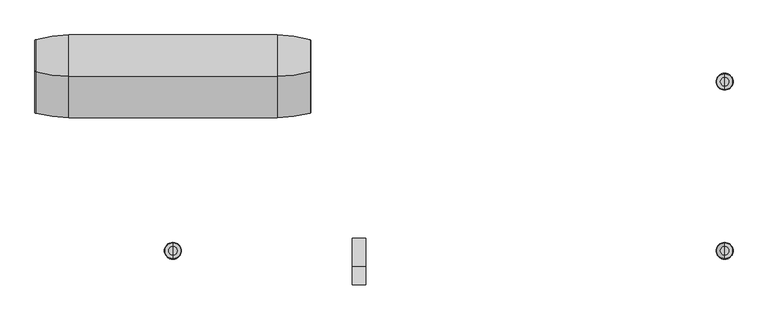
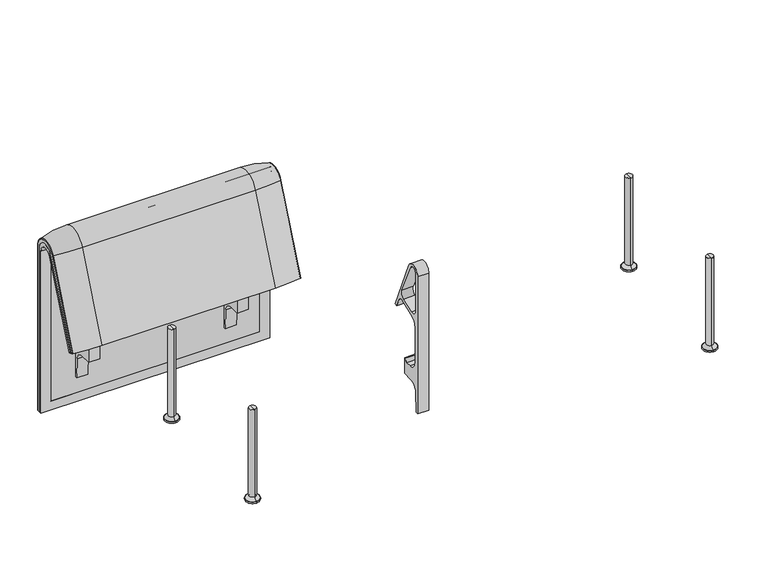
"""IFC4 building model written with IfcOpenShell, lengths in millimetres: furniture geometry."""

from ifc_helpers import new_model, si_unit, point, frame, frame_2d, origin, place, context, project, spatial, polyline, circle_curve, ellipse_curve, trimmed, segment, composite_curve, outline, extrude, source, transform, mapped, element, save
from ifc_brep_helpers import plane_surface, cylinder_surface, revolved_surface, advanced_brep


def furniture_c710fede(model_context):
    return source(origin(), model_context, "Body", "SolidModel", [
        extrude(outline(composite_curve([segment(polyline([(-305.0000061, 349.9223263), (-285.0000061, 349.9223263)]), True, "CONTINUOUS"), segment(trimmed(circle_curve(frame_2d((-285.0000061, 359.9223263)), 10.0), [point((-285.0000061, 349.9223263))], [point((-275.0000061, 359.9223263))], True, "CARTESIAN"), True, "CONTINUOUS"), segment(polyline([(-275.0000061, 359.9223263), (-270.0000061, 359.9223263), (-270.0000061, 299.9223263), (-309.4476, 299.9223263)]), True, "CONTINUOUS"), segment(trimmed(circle_curve(frame_2d((-309.4476, 269.9223263)), 30.0), [point((-309.4476, 299.9223263))], [point((-339.4064861, 271.492405))], True, "CARTESIAN"), True, "CONTINUOUS"), segment(polyline([(-339.4064861, 271.492405), (-343.3075759, 197.0551771), (-351.0000061, 197.0551771), (-351.0000061, 712.9272623)]), True, "CONTINUOUS"), segment(trimmed(circle_curve(frame_2d((-322.520748, 712.9272623)), 28.479258), [point((-351.0000061, 712.9272623))], [point((-296.3054528, 724.0549949))], False, "CARTESIAN"), True, "CONTINUOUS"), segment(polyline([(-296.3054528, 724.0549949), (-213.7507451, 529.5682915), (-222.2725218, 526.5505721), (-238.0355877, 560.3545758)]), True, "CONTINUOUS"), segment(trimmed(circle_curve(frame_2d((-251.6302045, 554.0153019)), 15.0), [point((-238.0355877, 560.3545758))], [point((-257.4911714, 567.8228747))], True, "CARTESIAN"), True, "CONTINUOUS"), segment(polyline([(-257.4911714, 567.8228747), (-316.7219399, 542.6809051)]), True, "CONTINUOUS"), segment(trimmed(circle_curve(frame_2d((-305.0000061, 515.0657595)), 30.0), [point((-316.7219399, 542.6809051))], [point((-335.0000061, 515.0657595))], True, "CARTESIAN"), True, "CONTINUOUS"), segment(polyline([(-335.0000061, 515.0657595), (-335.0000061, 379.9223263)]), True, "CONTINUOUS"), segment(trimmed(circle_curve(frame_2d((-305.0000061, 379.9223263)), 30.0), [point((-335.0000061, 379.9223263))], [point((-305.0000061, 349.9223263))], True, "CARTESIAN"), True, "CONTINUOUS")], self_intersect=False), holes=[composite_curve([segment(trimmed(circle_curve(frame_2d((-319.9867182, 576.3274105)), 17.5132879), [point((-337.5000061, 576.3274105))], [point((-314.1406626, 559.8186587))], True, "CARTESIAN"), True, "CONTINUOUS"), segment(polyline([(-314.1406626, 559.8186587), (-265.0756376, 577.1934953)]), True, "CONTINUOUS"), segment(trimmed(circle_curve(frame_2d((-271.7517748, 596.0463251)), 20.0), [point((-265.0756376, 577.1934953))], [point((-253.6256191, 604.4986904))], True, "CARTESIAN"), True, "CONTINUOUS"), segment(polyline([(-253.6256191, 604.4986904), (-308.9053893, 723.0465402)]), True, "CONTINUOUS"), segment(trimmed(circle_curve(frame_2d((-322.5000061, 716.7072663)), 15.0), [point((-308.9053893, 723.0465402))], [point((-337.5000061, 716.7072663))], True, "CARTESIAN"), True, "CONTINUOUS"), segment(polyline([(-337.5000061, 716.7072663), (-337.5000061, 576.3274105)]), True, "CONTINUOUS")], self_intersect=False)]), frame((-284.9947968, 0.0, 0.0), z_axis=(1.0, 0.0, 0.0), x_axis=(0.0, 1.0, 0.0)), (0.0, 0.0, 1.0), 40.0),
        advanced_brep(
        [(-407.9740803, 351.0000061, 101.8476716), (-407.9740803, 359.7858817, 101.8476716), (-407.9740803, 359.7858817, 720.3417731), (-407.9740803, 292.4403877, 733.7122262), (-407.9740803, 170.1966807, 437.98305), (-407.9740803, 175.0204081, 435.9866665), (-407.9740803, 296.2458652, 723.9869215), (-407.9740803, 351.0000061, 712.9272623), (-1223.9553291, 351.0000061, 101.8476716), (-1223.9553291, 351.0000061, 712.9272623), (-1223.9553291, 296.2720241, 723.9759107), (-1223.9553291, 175.0204081, 435.9866665), (-1223.9553291, 170.1966807, 437.98305), (-1223.9553291, 292.4403877, 733.7122262), (-1223.9553291, 359.7858817, 720.3417731), (-1223.9553291, 359.7858817, 101.8476716), (-442.8906244, 292.4403877, 733.7122262), (-442.8906244, 176.0980387, 452.25948), (-1189.0718733, 176.0980387, 452.25948), (-1189.0718733, 292.4403877, 733.7122262), (-1189.0718733, 296.2458652, 723.9869215), (-1189.0718733, 181.0136548, 450.2250668), (-442.8906244, 181.0136548, 450.2250668), (-442.8906244, 296.2458652, 723.9869215), (-442.8906244, 351.0000061, 712.9272623), (-442.8906244, 351.0000061, 135.3766997), (-1189.0718733, 351.0000061, 135.3766997), (-1189.0718733, 351.0000061, 712.9272623), (-1189.0718733, 359.7858817, 720.3417731), (-1189.0718733, 359.7858817, 135.3766997), (-442.8906244, 359.7858817, 135.3766997), (-442.8906244, 359.7858817, 720.3417731)],
        [
            (0, 1),
            (1, 2),
            (2, 3, circle_curve(frame((-407.9740803, 324.7858817, 720.3417731), z_axis=(1.0, 0.0, 0.0), x_axis=(0.0, -1.0, 0.0)), 35.0)),
            (3, 4),
            (4, 5),
            (5, 6),
            (6, 7, circle_curve(frame((-407.9740803, 322.520748, 712.9272623), z_axis=(-1.0, 0.0, 0.0), x_axis=(0.0, -1.0, 0.0)), 28.479258)),
            (7, 0),
            (8, 9),
            (9, 10, circle_curve(frame((-1223.9553291, 322.520748, 712.9272623), z_axis=(1.0, 0.0, 0.0), x_axis=(0.0, -1.0, 0.0)), 28.479258)),
            (10, 11),
            (11, 12),
            (12, 13),
            (13, 14, circle_curve(frame((-1223.9553291, 324.7858817, 720.3417731), z_axis=(-1.0, 0.0, 0.0), x_axis=(0.0, -1.0, 0.0)), 35.0)),
            (14, 15),
            (15, 8),
            (3, 16),
            (16, 17),
            (17, 18),
            (18, 19),
            (19, 13),
            (12, 4),
            (11, 5),
            (10, 20),
            (20, 21),
            (21, 22),
            (22, 23),
            (23, 6),
            (7, 24),
            (24, 25),
            (25, 26),
            (26, 27),
            (27, 9),
            (8, 0),
            (15, 1),
            (14, 28),
            (28, 29),
            (29, 30),
            (30, 31),
            (31, 2),
            (31, 16, circle_curve(frame((-442.8906244, 324.7858817, 720.3417731), z_axis=(1.0, 0.0, 0.0), x_axis=(0.0, -1.0, 0.0)), 35.0)),
            (19, 28, circle_curve(frame((-1189.0718733, 324.7858817, 720.3417731), z_axis=(-1.0, 0.0, 0.0), x_axis=(0.0, -1.0, 0.0)), 35.0)),
            (23, 24, circle_curve(frame((-442.8906244, 322.520748, 712.9272623), z_axis=(-1.0, 0.0, 0.0), x_axis=(0.0, -1.0, 0.0)), 28.479258)),
            (27, 20, circle_curve(frame((-1189.0718733, 322.520748, 712.9272623), z_axis=(1.0, 0.0, 0.0), x_axis=(0.0, -1.0, 0.0)), 28.479258)),
            (22, 17),
            (30, 25),
            (26, 29),
            (18, 21),
        ],
        [
            plane_surface(frame((-407.9740803, 359.7858817, 101.8476716), z_axis=(1.0, 0.0, 0.0), x_axis=(0.0, 1.0, 0.0))),
            plane_surface(frame((-1223.9553291, 359.7858817, 101.8476716), z_axis=(-1.0, 0.0, 0.0), x_axis=(0.0, -1.0, 0.0))),
            plane_surface(frame((-407.9740803, 292.4403877, 733.7122262), z_axis=(0.0, -0.9241569717933176, 0.3820129467515535), x_axis=(-1.0, 0.0, 0.0))),
            plane_surface(frame((-407.9740803, 170.1966807, 437.98305), z_axis=(0.0, -0.38241039441983893, -0.9239925812687368), x_axis=(-1.0, 0.0, 0.0))),
            plane_surface(frame((-407.9740803, 175.0204081, 435.9866665), z_axis=(0.0, 0.921678643444566, -0.3879542218073993), x_axis=(-1.0, 0.0, 0.0))),
            plane_surface(frame((-407.9740803, 351.0000061, 712.9272623), z_axis=(0.0, -1.0, 0.0), x_axis=(-1.0, 0.0, 0.0))),
            plane_surface(frame((-407.9740803, 351.0000061, 101.8476716), z_axis=(0.0, 0.0, -1.0), x_axis=(-1.0, 0.0, 0.0))),
            plane_surface(frame((-407.9740803, 359.7858817, 101.8476716), z_axis=(0.0, 1.0, 0.0), x_axis=(-1.0, 0.0, 0.0))),
            cylinder_surface(frame((-1223.9553291, 324.7858817, 720.3417731), z_axis=(1.0, 0.0, 0.0), x_axis=(0.0, -1.0, 0.0)), 35.0),
            revolved_surface(polyline([(-442.8906244, 294.04149, 712.9272623), (-407.97408029999997, 294.04149, 712.9272623)]), (-1223.9553291, 322.520748, 712.9272623), (-1.0, 0.0, 0.0)),
            revolved_surface(polyline([(-1223.9553291, 294.04149, 712.9272623), (-1189.0718733, 294.04149, 712.9272623)]), (-1223.9553291, 322.520748, 712.9272623), (-1.0, 0.0, 0.0)),
            plane_surface(frame((-442.8906244, 359.7858817, 135.3766997), z_axis=(-1.0, 0.0, 0.0), x_axis=(0.0, 1.0, 0.0))),
            plane_surface(frame((-1189.0718733, 359.7858817, 135.3766997), z_axis=(1.0, 0.0, 0.0), x_axis=(0.0, -1.0, 0.0))),
            plane_surface(frame((-442.8906244, 166.9120641, 456.0612553), z_axis=(0.0, 0.38241039441982605, 0.9239925812687422), x_axis=(-1.0, 0.0, 0.0))),
            plane_surface(frame((-442.8906244, 344.7858817, 135.3766997), z_axis=(0.0, 0.0, 1.0), x_axis=(-1.0, 0.0, 0.0))),
        ],
        [
            (0, [[1, 2, 3, 4, 5, 6, 7, 8]]),
            (1, [[9, 10, 11, 12, 13, 14, 15, 16]]),
            (2, [[-4, 17, 18, 19, 20, 21, -13, 22]]),
            (3, [[-5, -22, -12, 23]]),
            (4, [[-6, -23, -11, 24, 25, 26, 27, 28]]),
            (5, [[-8, 29, 30, 31, 32, 33, -9, 34]]),
            (6, [[-1, -34, -16, 35]]),
            (7, [[-2, -35, -15, 36, 37, 38, 39, 40]]),
            (8, [[-3, -40, 41, -17]]),
            (8, [[-14, -21, 42, -36]]),
            (9, [[-7, -28, 43, -29]]),
            (10, [[-10, -33, 44, -24]]),
            (11, [[45, -18, -41, -39, 46, -30, -43, -27]]),
            (12, [[47, -37, -42, -20, 48, -25, -44, -32]]),
            (13, [[-45, -26, -48, -19]]),
            (14, [[-46, -38, -47, -31]]),
        ],
    ),
        advanced_brep(
        [(-442.8906244, 351.0000061, 135.3766997), (-442.8906244, 359.7858817, 135.3766997), (-442.8906244, 359.7858817, 720.3417731), (-442.8906244, 292.4403877, 733.7122262), (-442.8906244, 176.0980387, 452.25948), (-442.8906244, 181.0136548, 450.2250668), (-442.8906244, 296.2458652, 723.9869215), (-442.8906244, 351.0000061, 712.9272623), (-1189.0718733, 351.0000061, 135.3766997), (-1189.0718733, 351.0000061, 712.9272623), (-1189.0718733, 296.2720241, 723.9759107), (-1189.0718733, 181.0136548, 450.2250668), (-1189.0718733, 176.0980387, 452.25948), (-1189.0718733, 292.4403877, 733.7122262), (-1189.0718733, 359.7858817, 720.3417731), (-1189.0718733, 359.7858817, 135.3766997)],
        [
            (0, 1),
            (1, 2),
            (2, 3, circle_curve(frame((-442.8906244, 324.7858817, 720.3417731), z_axis=(1.0, 0.0, 0.0), x_axis=(0.0, -1.0, 0.0)), 35.0)),
            (3, 4),
            (4, 5),
            (5, 6),
            (6, 7, circle_curve(frame((-442.8906244, 322.520748, 712.9272623), z_axis=(-1.0, 0.0, 0.0), x_axis=(0.0, -1.0, 0.0)), 28.479258)),
            (7, 0),
            (8, 9),
            (9, 10, circle_curve(frame((-1189.0718733, 322.520748, 712.9272623), z_axis=(1.0, 0.0, 0.0), x_axis=(0.0, -1.0, 0.0)), 28.479258)),
            (10, 11),
            (11, 12),
            (12, 13),
            (13, 14, circle_curve(frame((-1189.0718733, 324.7858817, 720.3417731), z_axis=(-1.0, 0.0, 0.0), x_axis=(0.0, -1.0, 0.0)), 35.0)),
            (14, 15),
            (15, 8),
            (3, 13),
            (12, 4),
            (11, 5),
            (10, 6),
            (7, 9),
            (8, 0),
            (15, 1),
            (14, 2),
        ],
        [
            plane_surface(frame((-442.8906244, 359.7858817, 135.3766997), z_axis=(1.0, 0.0, 0.0), x_axis=(0.0, 1.0, 0.0))),
            plane_surface(frame((-1189.0718733, 359.7858817, 135.3766997), z_axis=(-1.0, 0.0, 0.0), x_axis=(0.0, -1.0, 0.0))),
            plane_surface(frame((-442.8906244, 292.4403877, 733.7122262), z_axis=(0.0, -0.9241569717933176, 0.3820129467515535), x_axis=(-1.0, 0.0, 0.0))),
            plane_surface(frame((-442.8906244, 176.0980387, 452.25948), z_axis=(0.0, -0.38241039441982716, -0.9239925812687417), x_axis=(-1.0, 0.0, 0.0))),
            plane_surface(frame((-442.8906244, 181.0136548, 450.2250668), z_axis=(0.0, 0.921678643444566, -0.3879542218073993), x_axis=(-1.0, 0.0, 0.0))),
            plane_surface(frame((-442.8906244, 351.0000061, 712.9272623), z_axis=(0.0, -1.0, 0.0), x_axis=(-1.0, 0.0, 0.0))),
            plane_surface(frame((-442.8906244, 351.0000061, 135.3766997), z_axis=(0.0, 0.0, -1.0), x_axis=(-1.0, 0.0, 0.0))),
            plane_surface(frame((-442.8906244, 359.7858817, 135.3766997), z_axis=(0.0, 1.0, 0.0), x_axis=(-1.0, 0.0, 0.0))),
            cylinder_surface(frame((-1189.0718733, 324.7858817, 720.3417731), z_axis=(1.0, 0.0, 0.0), x_axis=(0.0, -1.0, 0.0)), 35.0),
            revolved_surface(polyline([(-1189.0718733, 294.04149, 712.9272623), (-442.8906244, 294.04149, 712.9272623)]), (-1189.0718733, 322.520748, 712.9272623), (-1.0, 0.0, 0.0)),
        ],
        [
            (0, [[1, 2, 3, 4, 5, 6, 7, 8]]),
            (1, [[9, 10, 11, 12, 13, 14, 15, 16]]),
            (2, [[-4, 17, -13, 18]]),
            (3, [[-5, -18, -12, 19]]),
            (4, [[-6, -19, -11, 20]]),
            (5, [[-8, 21, -9, 22]]),
            (6, [[-1, -22, -16, 23]]),
            (7, [[-2, -23, -15, 24]]),
            (8, [[-3, -24, -14, -17]]),
            (9, [[-7, -20, -10, -21]]),
        ],
    ),
        extrude(outline(composite_curve([segment(trimmed(circle_curve(frame_2d((305.0000061, 379.9223263)), 30.0), [point((305.0000061, 349.9223263))], [point((335.0000061, 379.9223263))], True, "CARTESIAN"), True, "CONTINUOUS"), segment(polyline([(335.0000061, 379.9223263), (335.0000061, 515.0657595)]), True, "CONTINUOUS"), segment(trimmed(circle_curve(frame_2d((305.0000061, 515.0657595)), 30.0), [point((335.0000061, 515.0657595))], [point((316.7219399, 542.6809051))], True, "CARTESIAN"), True, "CONTINUOUS"), segment(polyline([(316.7219399, 542.6809051), (257.4911714, 567.8228747)]), True, "CONTINUOUS"), segment(trimmed(circle_curve(frame_2d((251.6302045, 554.0153019)), 15.0), [point((257.4911714, 567.8228747))], [point((238.0355877, 560.3545758))], True, "CARTESIAN"), True, "CONTINUOUS"), segment(polyline([(238.0355877, 560.3545758), (222.2725218, 526.5505721), (213.7507451, 529.5682915), (296.3054528, 724.0549949)]), True, "CONTINUOUS"), segment(trimmed(circle_curve(frame_2d((322.520748, 712.9272623)), 28.479258), [point((296.3054528, 724.0549949))], [point((351.0000061, 712.9272623))], False, "CARTESIAN"), True, "CONTINUOUS"), segment(polyline([(351.0000061, 712.9272623), (351.0000061, 197.0551771), (343.3075759, 197.0551771), (339.4064861, 271.492405)]), True, "CONTINUOUS"), segment(trimmed(circle_curve(frame_2d((309.4476, 269.9223263)), 30.0), [point((339.4064861, 271.492405))], [point((309.4476, 299.9223263))], True, "CARTESIAN"), True, "CONTINUOUS"), segment(polyline([(309.4476, 299.9223263), (270.0000061, 299.9223263), (270.0000061, 359.9223263), (275.0000061, 359.9223263)]), True, "CONTINUOUS"), segment(trimmed(circle_curve(frame_2d((285.0000061, 359.9223263)), 10.0), [point((275.0000061, 359.9223263))], [point((285.0000061, 349.9223263))], True, "CARTESIAN"), True, "CONTINUOUS"), segment(polyline([(285.0000061, 349.9223263), (305.0000061, 349.9223263)]), True, "CONTINUOUS")], self_intersect=False), holes=[composite_curve([segment(polyline([(337.5000061, 576.3274105), (337.5000061, 716.7072663)]), True, "CONTINUOUS"), segment(trimmed(circle_curve(frame_2d((322.5000061, 716.7072663)), 15.0), [point((337.5000061, 716.7072663))], [point((308.9053893, 723.0465402))], True, "CARTESIAN"), True, "CONTINUOUS"), segment(polyline([(308.9053893, 723.0465402), (253.6256191, 604.4986904)]), True, "CONTINUOUS"), segment(trimmed(circle_curve(frame_2d((271.7517748, 596.0463251)), 20.0), [point((253.6256191, 604.4986904))], [point((265.0756376, 577.1934953))], True, "CARTESIAN"), True, "CONTINUOUS"), segment(polyline([(265.0756376, 577.1934953), (314.1406626, 559.8186587)]), True, "CONTINUOUS"), segment(trimmed(circle_curve(frame_2d((319.9867182, 576.3274105)), 17.5132879), [point((314.1406626, 559.8186587))], [point((337.5000061, 576.3274105))], True, "CARTESIAN"), True, "CONTINUOUS")], self_intersect=False)]), frame((-570.986452, 0.0, 0.0), z_axis=(1.0, 0.0, 0.0), x_axis=(0.0, 1.0, 0.0)), (0.0, 0.0, 1.0), 40.0),
        advanced_brep(
        [(-507.9740803, 388.2902376, 100.5089435), (-410.1127088, 373.93893, 100.5089435), (-407.9740803, 371.0652495, 100.5089435), (-407.9740803, 359.7858817, 100.5089435), (-1223.9884174, 359.7858817, 100.5089435), (-1223.9884174, 371.0652495, 100.5089435), (-1221.8497889, 373.93893, 100.5089435), (-1123.9884174, 388.2902376, 100.5089435), (-1123.9884174, 388.2902376, 720.3417731), (-507.9740803, 388.2902376, 720.3417731), (-410.1127088, 373.93893, 720.3417731), (-407.9740803, 371.0652495, 720.3417731), (-407.9740803, 282.0164812, 738.0210907), (-407.9740803, 159.7723383, 442.2908598), (-407.9740803, 170.1962447, 437.9819952), (-407.9740803, 292.4403877, 733.7122262), (-407.9740803, 359.7858817, 720.3417731), (-1223.9884174, 359.7858817, 720.3417731), (-507.9740803, 143.8537454, 448.8710282), (-1123.9884174, 143.8537454, 448.8710282), (-1221.8497889, 157.1166065, 443.3886429), (-1223.9884174, 159.7723383, 442.2908598), (-1223.9884174, 170.1962447, 437.9819952), (-410.1127088, 157.1166065, 443.3886429), (-507.9740803, 266.0978884, 744.6012592), (-1123.9884174, 266.0978884, 744.6012592), (-410.1127088, 279.3607494, 739.1188739), (-1223.9884174, 292.4403877, 733.7122262), (-1223.9884174, 282.0164812, 738.0210907), (-1223.9884174, 371.0652495, 720.3417731), (-1221.8497889, 373.93893, 720.3417731), (-1221.8497889, 279.3607494, 739.1188739)],
        [
            (0, 1, circle_curve(frame((-507.9740803, 47.4569043, 100.5089435), z_axis=(0.0, 0.0, -1.0), x_axis=(0.0, -1.0, 0.0)), 340.8333333)),
            (1, 2, circle_curve(frame((-410.9740803, 371.0652495, 100.5089435), z_axis=(0.0, 0.0, -1.0), x_axis=(1.0, 0.0, 0.0)), 3.0)),
            (2, 3),
            (3, 4),
            (4, 5),
            (5, 6, circle_curve(frame((-1220.9884174, 371.0652495, 100.5089435), z_axis=(0.0, 0.0, -1.0), x_axis=(-1.0, 0.0, 0.0)), 3.0)),
            (6, 7, circle_curve(frame((-1123.9884174, 47.4569043, 100.5089435), z_axis=(0.0, 0.0, -1.0), x_axis=(0.0, -1.0, 0.0)), 340.8333333)),
            (7, 0),
            (7, 8),
            (8, 9),
            (9, 0),
            (9, 10, circle_curve(frame((-507.9740803, 47.4569043, 720.3417731), z_axis=(0.0, 0.0, -1.0), x_axis=(0.0, -1.0, 0.0)), 340.8333333)),
            (10, 1),
            (10, 11, circle_curve(frame((-410.9740803, 371.0652495, 720.3417731), z_axis=(0.0, 0.0, -1.0), x_axis=(1.0, 0.0, 0.0)), 3.0)),
            (11, 2),
            (11, 12, circle_curve(frame((-407.9740803, 324.7858817, 720.3417731), z_axis=(1.0, 0.0, 0.0), x_axis=(0.0, 1.0, 0.0)), 46.2793679)),
            (12, 13),
            (13, 14),
            (14, 15),
            (15, 16, circle_curve(frame((-407.9740803, 324.7858817, 720.3417731), z_axis=(-1.0, 0.0, 0.0), x_axis=(0.0, 1.0, 0.0)), 35.0)),
            (16, 3),
            (16, 17),
            (17, 4),
            (18, 19),
            (19, 20, circle_curve(frame((-1123.9884174, 458.8372467, 318.6682822), z_axis=(0.0, -0.38201294675155345, -0.9241569717933176), x_axis=(0.0, 0.9241569717933176, -0.38201294675155345)), 340.8333333)),
            (20, 21, circle_curve(frame((-1220.9884174, 159.7723383, 442.2908598), z_axis=(0.0, -0.38201294675155345, -0.9241569717933176), x_axis=(-1.0, 0.0, 0.0)), 3.0)),
            (21, 22),
            (22, 14),
            (13, 23, circle_curve(frame((-410.9740803, 159.7723383, 442.2908598), z_axis=(0.0, -0.38201294675155345, -0.9241569717933176), x_axis=(1.0, 0.0, 0.0)), 3.0)),
            (23, 18, circle_curve(frame((-507.9740803, 458.8372467, 318.6682822), z_axis=(0.0, -0.38201294675155345, -0.9241569717933176), x_axis=(0.0, 0.9241569717933176, -0.38201294675155345)), 340.8333333)),
            (24, 9, circle_curve(frame((-507.9740803, 324.7858817, 720.3417731), z_axis=(-1.0, 0.0, 0.0), x_axis=(0.0, 1.0, 0.0)), 63.5043559)),
            (8, 25, circle_curve(frame((-1123.9884174, 324.7858817, 720.3417731), z_axis=(1.0, 0.0, 0.0), x_axis=(0.0, 1.0, 0.0)), 63.5043559)),
            (25, 24),
            (26, 10, circle_curve(frame((-410.1127088, 324.7858817, 720.3417731), z_axis=(-1.0, 0.0, 0.0), x_axis=(0.0, 1.0, 0.0)), 49.1530483)),
            (24, 26, circle_curve(frame((-507.9740803, 581.0813896, 614.3985132), z_axis=(0.0, 0.382012946751556, 0.9241569717933165), x_axis=(0.0, 0.9241569717933165, -0.382012946751556)), 340.8333333)),
            (26, 12, circle_curve(frame((-410.9740803, 282.0164812, 738.0210907), z_axis=(0.0, 0.3820129467515552, 0.9241569717933168), x_axis=(1.0, 0.0, 0.0)), 3.0)),
            (27, 17, circle_curve(frame((-1223.9884174, 324.7858817, 720.3417731), z_axis=(-1.0, 0.0, 0.0), x_axis=(0.0, 1.0, 0.0)), 35.0)),
            (15, 27),
            (25, 19),
            (18, 24),
            (23, 26),
            (22, 27),
            (21, 28),
            (28, 29, circle_curve(frame((-1223.9884174, 324.7858817, 720.3417731), z_axis=(-1.0, 0.0, 0.0), x_axis=(0.0, 1.0, 0.0)), 46.2793679)),
            (29, 5),
            (29, 30, circle_curve(frame((-1220.9884174, 371.0652495, 720.3417731), z_axis=(0.0, 0.0, -1.0), x_axis=(-1.0, 0.0, 0.0)), 3.0)),
            (30, 6),
            (30, 8, circle_curve(frame((-1123.9884174, 47.4569043, 720.3417731), z_axis=(0.0, 0.0, -1.0), x_axis=(0.0, -1.0, 0.0)), 340.8333333)),
            (31, 30, circle_curve(frame((-1221.8497889, 324.7858817, 720.3417731), z_axis=(-1.0, 0.0, 0.0), x_axis=(0.0, 1.0, 0.0)), 49.1530483)),
            (28, 31, circle_curve(frame((-1220.9884174, 282.0164812, 738.0210907), z_axis=(0.0, 0.3820129467515544, 0.9241569717933172), x_axis=(-1.0, 0.0, 0.0)), 3.0)),
            (31, 25, circle_curve(frame((-1123.9884174, 581.0813896, 614.3985132), z_axis=(0.0, 0.3820129467515532, 0.9241569717933177), x_axis=(0.0, 0.9241569717933177, -0.3820129467515532)), 340.8333333)),
            (20, 31),
        ],
        [
            plane_surface(frame((-811.2162256, 359.7858817, 100.5089435), z_axis=(0.0, 0.0, -1.0), x_axis=(1.0, 0.0, 0.0))),
            plane_surface(frame((-1123.9884174, 388.2902376, 100.5089435), z_axis=(0.0, 1.0, 0.0), x_axis=(0.0, 0.0, 1.0))),
            cylinder_surface(frame((-507.9740803, 47.4569043, 100.5089435), z_axis=(0.0, 0.0, -1.0), x_axis=(0.0, -1.0, 0.0)), 340.8333333),
            cylinder_surface(frame((-410.9740803, 371.0652495, 100.5089435), z_axis=(0.0, 0.0, -1.0), x_axis=(1.0, 0.0, 0.0)), 3.0),
            plane_surface(frame((-407.9740803, 371.0652495, 100.5089435), z_axis=(1.0, 0.0, 0.0), x_axis=(0.0, 0.0, 1.0))),
            plane_surface(frame((-407.9740803, 359.7858817, 100.5089435), z_axis=(0.0, -1.0, 0.0), x_axis=(0.0, 0.0, 1.0))),
            plane_surface(frame((-811.2162256, 170.1962447, 437.9819952), z_axis=(0.0, -0.38201294675155345, -0.9241569717933176), x_axis=(1.0, 0.0, 0.0))),
            cylinder_surface(frame((-811.2162256, 324.7858817, 720.3417731), z_axis=(1.0, 0.0, 0.0), x_axis=(0.0, 1.0, 0.0)), 63.5043559),
            revolved_surface(trimmed(ellipse_curve(frame((-507.9740803, 47.4569043, 720.3417731), z_axis=(0.0, 0.0, -1.0), x_axis=(0.0, -1.0, 0.0)), 340.8333333, 340.8333333), [point((-507.9740803, 388.2902376, 720.3417731))], [point((-410.1127088, 373.93893, 720.3417731))], True, "CARTESIAN"), (-811.2162256, 324.7858817, 720.3417731), (1.0, 0.0, 0.0)),
            revolved_surface(trimmed(ellipse_curve(frame((-410.9740803, 371.0652495, 720.3417731), z_axis=(0.0, 0.0, -1.0), x_axis=(1.0, 0.0, 0.0)), 3.0, 3.0), [point((-410.1127088, 373.93893, 720.3417731))], [point((-407.9740803, 371.0652495, 720.3417731))], True, "CARTESIAN"), (-811.2162256, 324.7858817, 720.3417731), (1.0, 0.0, 0.0)),
            revolved_surface(polyline([(-407.9740803, 359.7858817, 720.3417731), (-1223.9884174, 359.7858817, 720.3417731)]), (-811.2162256, 324.7858817, 720.3417731), (1.0, 0.0, 0.0)),
            plane_surface(frame((-1123.9884174, 266.0978884, 744.6012592), z_axis=(0.0, -0.9241569717933176, 0.38201294675155356), x_axis=(0.0, -0.38201294675155356, -0.9241569717933176))),
            cylinder_surface(frame((-507.9740803, 581.0813896, 614.3985132), z_axis=(0.0, 0.38201294675155345, 0.9241569717933176), x_axis=(0.0, 0.9241569717933176, -0.38201294675155345)), 340.8333333),
            cylinder_surface(frame((-410.9740803, 282.0164812, 738.0210907), z_axis=(0.0, 0.38201294675155345, 0.9241569717933176), x_axis=(1.0, 0.0, 0.0)), 3.0),
            plane_surface(frame((-407.9740803, 292.4403877, 733.7122262), z_axis=(0.0, 0.9241569717933176, -0.38201294675155356), x_axis=(0.0, -0.38201294675155356, -0.9241569717933176))),
            plane_surface(frame((-1223.9884174, 359.7858817, 100.5089435), z_axis=(-1.0, 0.0, 0.0), x_axis=(0.0, 0.0, 1.0))),
            cylinder_surface(frame((-1220.9884174, 371.0652495, 100.5089435), z_axis=(0.0, 0.0, -1.0), x_axis=(-1.0, 0.0, 0.0)), 3.0),
            cylinder_surface(frame((-1123.9884174, 47.4569043, 100.5089435), z_axis=(0.0, 0.0, -1.0), x_axis=(0.0, -1.0, 0.0)), 340.8333333),
            revolved_surface(trimmed(ellipse_curve(frame((-1220.9884174, 371.0652495, 720.3417731), z_axis=(0.0, 0.0, -1.0), x_axis=(-1.0, 0.0, 0.0)), 3.0, 3.0), [point((-1223.9884174, 371.0652495, 720.3417731))], [point((-1221.8497889, 373.93893, 720.3417731))], True, "CARTESIAN"), (-811.2162256, 324.7858817, 720.3417731), (1.0, 0.0, 0.0)),
            revolved_surface(trimmed(ellipse_curve(frame((-1123.9884174, 47.4569043, 720.3417731), z_axis=(0.0, 0.0, -1.0), x_axis=(0.0, -1.0, 0.0)), 340.8333333, 340.8333333), [point((-1221.8497889, 373.93893, 720.3417731))], [point((-1123.9884174, 388.2902376, 720.3417731))], True, "CARTESIAN"), (-811.2162256, 324.7858817, 720.3417731), (1.0, 0.0, 0.0)),
            cylinder_surface(frame((-1220.9884174, 282.0164812, 738.0210907), z_axis=(0.0, 0.38201294675155345, 0.9241569717933176), x_axis=(-1.0, 0.0, 0.0)), 3.0),
            cylinder_surface(frame((-1123.9884174, 581.0813896, 614.3985132), z_axis=(0.0, 0.38201294675155345, 0.9241569717933176), x_axis=(0.0, 0.9241569717933176, -0.38201294675155345)), 340.8333333),
        ],
        [
            (0, [[1, 2, 3, 4, 5, 6, 7, 8]]),
            (1, [[-8, 9, 10, 11]]),
            (2, [[-1, -11, 12, 13]]),
            (3, [[-2, -13, 14, 15]]),
            (4, [[-3, -15, 16, 17, 18, 19, 20, 21]]),
            (5, [[-4, -21, 22, 23]]),
            (6, [[24, 25, 26, 27, 28, -18, 29, 30]]),
            (7, [[31, -10, 32, 33]]),
            (8, [[34, -12, -31, 35]]),
            (9, [[-16, -14, -34, 36]]),
            (10, [[37, -22, -20, 38]]),
            (11, [[-33, 39, -24, 40]]),
            (12, [[-35, -40, -30, 41]]),
            (13, [[-36, -41, -29, -17]]),
            (14, [[-38, -19, -28, 42]]),
            (15, [[-5, -23, -37, -42, -27, 43, 44, 45]]),
            (16, [[-6, -45, 46, 47]]),
            (17, [[-7, -47, 48, -9]]),
            (18, [[49, -46, -44, 50]]),
            (19, [[-32, -48, -49, 51]]),
            (20, [[-50, -43, -26, 52]]),
            (21, [[-51, -52, -25, -39]]),
        ],
    ),
        extrude(outline(composite_curve([segment(trimmed(circle_curve(frame_2d((305.0000061, 379.9223263)), 30.0), [point((305.0000061, 349.9223263))], [point((335.0000061, 379.9223263))], True, "CARTESIAN"), True, "CONTINUOUS"), segment(polyline([(335.0000061, 379.9223263), (335.0000061, 515.0657595)]), True, "CONTINUOUS"), segment(trimmed(circle_curve(frame_2d((305.0000061, 515.0657595)), 30.0), [point((335.0000061, 515.0657595))], [point((316.7219399, 542.6809051))], True, "CARTESIAN"), True, "CONTINUOUS"), segment(polyline([(316.7219399, 542.6809051), (257.4911714, 567.8228747)]), True, "CONTINUOUS"), segment(trimmed(circle_curve(frame_2d((251.6302045, 554.0153019)), 15.0), [point((257.4911714, 567.8228747))], [point((238.0355877, 560.3545758))], True, "CARTESIAN"), True, "CONTINUOUS"), segment(polyline([(238.0355877, 560.3545758), (222.2725218, 526.5505721), (213.7507451, 529.5682915), (296.3054528, 724.0549949)]), True, "CONTINUOUS"), segment(trimmed(circle_curve(frame_2d((322.520748, 712.9272623)), 28.479258), [point((296.3054528, 724.0549949))], [point((351.0000061, 712.9272623))], False, "CARTESIAN"), True, "CONTINUOUS"), segment(polyline([(351.0000061, 712.9272623), (351.0000061, 197.0551771), (343.3075759, 197.0551771), (339.4064861, 271.492405)]), True, "CONTINUOUS"), segment(trimmed(circle_curve(frame_2d((309.4476, 269.9223263)), 30.0), [point((339.4064861, 271.492405))], [point((309.4476, 299.9223263))], True, "CARTESIAN"), True, "CONTINUOUS"), segment(polyline([(309.4476, 299.9223263), (270.0000061, 299.9223263), (270.0000061, 359.9223263), (275.0000061, 359.9223263)]), True, "CONTINUOUS"), segment(trimmed(circle_curve(frame_2d((285.0000061, 359.9223263)), 10.0), [point((275.0000061, 359.9223263))], [point((285.0000061, 349.9223263))], True, "CARTESIAN"), True, "CONTINUOUS"), segment(polyline([(285.0000061, 349.9223263), (305.0000061, 349.9223263)]), True, "CONTINUOUS")], self_intersect=False), holes=[composite_curve([segment(polyline([(337.5000061, 576.3274105), (337.5000061, 716.7072663)]), True, "CONTINUOUS"), segment(trimmed(circle_curve(frame_2d((322.5000061, 716.7072663)), 15.0), [point((337.5000061, 716.7072663))], [point((308.9053893, 723.0465402))], True, "CARTESIAN"), True, "CONTINUOUS"), segment(polyline([(308.9053893, 723.0465402), (253.6256191, 604.4986904)]), True, "CONTINUOUS"), segment(trimmed(circle_curve(frame_2d((271.7517748, 596.0463251)), 20.0), [point((253.6256191, 604.4986904))], [point((265.0756376, 577.1934953))], True, "CARTESIAN"), True, "CONTINUOUS"), segment(polyline([(265.0756376, 577.1934953), (314.1406626, 559.8186587)]), True, "CONTINUOUS"), segment(trimmed(circle_curve(frame_2d((319.9867182, 576.3274105)), 17.5132879), [point((314.1406626, 559.8186587))], [point((337.5000061, 576.3274105))], True, "CARTESIAN"), True, "CONTINUOUS")], self_intersect=False)]), frame((-1100.9760457, 0.0, 0.0), z_axis=(1.0, 0.0, 0.0), x_axis=(0.0, 1.0, 0.0)), (0.0, 0.0, 1.0), 40.0),
        advanced_brep(
        [(815.9812488, -250.0000031, 0.0), (815.9812488, -225.0000031, 0.0), (815.9812488, -275.0000031, 0.0), (815.9812488, -262.4715672, 344.8637637), (815.9812488, -237.5284391, 344.8637637), (815.9812488, -250.0000031, 344.8637637), (815.9812488, -262.4715672, 16.2604994), (815.9812488, -237.5284391, 16.2604994), (815.9812488, -273.2294713, 5.5025953), (815.9812488, -226.770535, 5.5025953), (815.9812488, -275.0000031, 5.5025953), (815.9812488, -225.0000031, 5.5025953)],
        [
            (0, 1),
            (1, 2, circle_curve(frame((815.9812488, -250.0000031, 0.0), z_axis=(0.0, 0.0, -1.0), x_axis=(0.0, 1.0, 0.0)), 25.0)),
            (2, 0),
            (2, 1, circle_curve(frame((815.9812488, -250.0000031, 0.0), z_axis=(0.0, 0.0, -1.0), x_axis=(0.0, 1.0, 0.0)), 25.0)),
            (3, 4, circle_curve(frame((815.9812488, -250.0000031, 344.8637637), z_axis=(0.0, 0.0, 1.0), x_axis=(0.0, 1.0, 0.0)), 12.471564)),
            (4, 5),
            (5, 3),
            (4, 3, circle_curve(frame((815.9812488, -250.0000031, 344.8637637), z_axis=(0.0, 0.0, 1.0), x_axis=(0.0, 1.0, 0.0)), 12.471564)),
            (6, 7, circle_curve(frame((815.9812488, -250.0000031, 16.2604994), z_axis=(0.0, 0.0, 1.0), x_axis=(0.0, 1.0, 0.0)), 12.471564)),
            (7, 4),
            (3, 6),
            (7, 6, circle_curve(frame((815.9812488, -250.0000031, 16.2604994), z_axis=(0.0, 0.0, 1.0), x_axis=(0.0, 1.0, 0.0)), 12.471564)),
            (8, 9, circle_curve(frame((815.9812488, -250.0000031, 5.5025953), z_axis=(0.0, 0.0, 1.0), x_axis=(0.0, 1.0, 0.0)), 23.2294681)),
            (9, 7, circle_curve(frame((815.9812488, -226.770535, 16.2604994), z_axis=(-1.0, 0.0, 0.0), x_axis=(0.0, 1.0, 0.0)), 10.7579041)),
            (6, 8, circle_curve(frame((815.9812488, -273.2294713, 16.2604994), z_axis=(-1.0, 0.0, 0.0), x_axis=(0.0, -1.0, 0.0)), 10.7579041)),
            (9, 8, circle_curve(frame((815.9812488, -250.0000031, 5.5025953), z_axis=(0.0, 0.0, 1.0), x_axis=(0.0, 1.0, 0.0)), 23.2294681)),
            (10, 11, circle_curve(frame((815.9812488, -250.0000031, 5.5025953), z_axis=(0.0, 0.0, 1.0), x_axis=(0.0, 1.0, 0.0)), 25.0)),
            (11, 9),
            (8, 10),
            (11, 10, circle_curve(frame((815.9812488, -250.0000031, 5.5025953), z_axis=(0.0, 0.0, 1.0), x_axis=(0.0, 1.0, 0.0)), 25.0)),
            (1, 11),
            (10, 2),
        ],
        [
            plane_surface(frame((815.9812488, -250.0000031, 0.0), z_axis=(0.0, 0.0, -1.0), x_axis=(0.0, 1.0, 0.0))),
            plane_surface(frame((815.9812488, -250.0000031, 344.8637637), z_axis=(0.0, 0.0, 1.0), x_axis=(0.0, 1.0, 0.0))),
            cylinder_surface(frame((815.9812488, -250.0000031, 344.8637637), z_axis=(0.0, 0.0, -1.0), x_axis=(0.0, 1.0, 0.0)), 12.471564),
            revolved_surface(trimmed(ellipse_curve(frame((815.9812488, -226.770535, 16.2604994), z_axis=(1.0, 0.0, 0.0), x_axis=(0.0, 1.0, 0.0)), 10.7579041, 10.7579041), [point((815.9812488, -237.5284391, 16.2604994))], [point((815.9812488, -226.770535, 5.5025953))], True, "CARTESIAN"), (815.9812488, -250.0000031, 344.8637637), (0.0, 0.0, -1.0)),
            plane_surface(frame((815.9812488, -250.0000031, 5.5025953), z_axis=(0.0, 0.0, 1.0), x_axis=(0.0, 1.0, 0.0))),
            cylinder_surface(frame((815.9812488, -250.0000031, 344.8637637), z_axis=(0.0, 0.0, -1.0), x_axis=(0.0, 1.0, 0.0)), 25.0),
        ],
        [
            (0, [[1, 2, 3]]),
            (0, [[-3, 4, -1]]),
            (1, [[5, 6, 7]]),
            (1, [[8, -7, -6]]),
            (2, [[9, 10, -5, 11]]),
            (2, [[12, -11, -8, -10]]),
            (3, [[13, 14, -9, 15]]),
            (3, [[16, -15, -12, -14]]),
            (4, [[17, 18, -13, 19]]),
            (4, [[20, -19, -16, -18]]),
            (5, [[-2, 21, -17, 22]]),
            (5, [[-4, -22, -20, -21]]),
        ],
    ),
        advanced_brep(
        [(815.9812488, 275.0000031, 0.0), (815.9812488, 225.0000031, 0.0), (815.9812488, 250.0000031, 0.0), (815.9812488, 250.0000031, 344.8637637), (815.9812488, 237.5284391, 344.8637637), (815.9812488, 262.4715672, 344.8637637), (815.9812488, 237.5284391, 16.2604994), (815.9812488, 262.4715672, 16.2604994), (815.9812488, 226.770535, 5.5025953), (815.9812488, 273.2294713, 5.5025953), (815.9812488, 225.0000031, 5.5025953), (815.9812488, 275.0000031, 5.5025953)],
        [
            (0, 1, circle_curve(frame((815.9812488, 250.0000031, 0.0), z_axis=(0.0, 0.0, -1.0), x_axis=(0.0, -1.0, 0.0)), 25.0)),
            (1, 2),
            (2, 0),
            (1, 0, circle_curve(frame((815.9812488, 250.0000031, 0.0), z_axis=(0.0, 0.0, -1.0), x_axis=(0.0, -1.0, 0.0)), 25.0)),
            (3, 4),
            (4, 5, circle_curve(frame((815.9812488, 250.0000031, 344.8637637), z_axis=(0.0, 0.0, 1.0), x_axis=(0.0, -1.0, 0.0)), 12.471564)),
            (5, 3),
            (5, 4, circle_curve(frame((815.9812488, 250.0000031, 344.8637637), z_axis=(0.0, 0.0, 1.0), x_axis=(0.0, -1.0, 0.0)), 12.471564)),
            (4, 6),
            (6, 7, circle_curve(frame((815.9812488, 250.0000031, 16.2604994), z_axis=(0.0, 0.0, 1.0), x_axis=(0.0, -1.0, 0.0)), 12.471564)),
            (7, 5),
            (7, 6, circle_curve(frame((815.9812488, 250.0000031, 16.2604994), z_axis=(0.0, 0.0, 1.0), x_axis=(0.0, -1.0, 0.0)), 12.471564)),
            (6, 8, circle_curve(frame((815.9812488, 226.770535, 16.2604994), z_axis=(-1.0, 0.0, 0.0), x_axis=(0.0, -1.0, 0.0)), 10.7579041)),
            (8, 9, circle_curve(frame((815.9812488, 250.0000031, 5.5025953), z_axis=(0.0, 0.0, 1.0), x_axis=(0.0, -1.0, 0.0)), 23.2294681)),
            (9, 7, circle_curve(frame((815.9812488, 273.2294713, 16.2604994), z_axis=(-1.0, 0.0, 0.0), x_axis=(0.0, 1.0, 0.0)), 10.7579041)),
            (9, 8, circle_curve(frame((815.9812488, 250.0000031, 5.5025953), z_axis=(0.0, 0.0, 1.0), x_axis=(0.0, -1.0, 0.0)), 23.2294681)),
            (8, 10),
            (10, 11, circle_curve(frame((815.9812488, 250.0000031, 5.5025953), z_axis=(0.0, 0.0, 1.0), x_axis=(0.0, -1.0, 0.0)), 25.0)),
            (11, 9),
            (11, 10, circle_curve(frame((815.9812488, 250.0000031, 5.5025953), z_axis=(0.0, 0.0, 1.0), x_axis=(0.0, -1.0, 0.0)), 25.0)),
            (10, 1),
            (0, 11),
        ],
        [
            plane_surface(frame((815.9812488, 250.0000031, 0.0), z_axis=(0.0, 0.0, -1.0), x_axis=(0.0, -1.0, 0.0))),
            plane_surface(frame((815.9812488, 250.0000031, 344.8637637), z_axis=(0.0, 0.0, 1.0), x_axis=(0.0, -1.0, 0.0))),
            cylinder_surface(frame((815.9812488, 250.0000031, 344.8637637), z_axis=(0.0, 0.0, 1.0), x_axis=(0.0, -1.0, 0.0)), 12.471564),
            revolved_surface(trimmed(ellipse_curve(frame((815.9812488, 226.770535, 16.2604994), z_axis=(1.0, 0.0, 0.0), x_axis=(0.0, -1.0, 0.0)), 10.7579041, 10.7579041), [point((815.9812488, 226.770535, 5.5025953))], [point((815.9812488, 237.5284391, 16.2604994))], True, "CARTESIAN"), (815.9812488, 250.0000031, 344.8637637), (0.0, 0.0, 1.0)),
            plane_surface(frame((815.9812488, 250.0000031, 5.5025953), z_axis=(0.0, 0.0, 1.0), x_axis=(0.0, -1.0, 0.0))),
            cylinder_surface(frame((815.9812488, 250.0000031, 344.8637637), z_axis=(0.0, 0.0, 1.0), x_axis=(0.0, -1.0, 0.0)), 25.0),
        ],
        [
            (0, [[1, 2, 3]]),
            (0, [[4, -3, -2]]),
            (1, [[5, 6, 7]]),
            (1, [[-7, 8, -5]]),
            (2, [[-6, 9, 10, 11]]),
            (2, [[-8, -11, 12, -9]]),
            (3, [[-10, 13, 14, 15]]),
            (3, [[-12, -15, 16, -13]]),
            (4, [[-14, 17, 18, 19]]),
            (4, [[-16, -19, 20, -17]]),
            (5, [[-18, 21, -1, 22]]),
            (5, [[-20, -22, -4, -21]]),
        ],
    ),
        advanced_brep(
        [(-815.9812488, -275.0000031, 0.0), (-815.9812488, -225.0000031, 0.0), (-815.9812488, -250.0000031, 0.0), (-815.9812488, -250.0000031, 344.8637637), (-815.9812488, -237.5284391, 344.8637637), (-815.9812488, -262.4715672, 344.8637637), (-815.9812488, -237.5284391, 16.2604994), (-815.9812488, -262.4715672, 16.2604994), (-815.9812488, -226.770535, 5.5025953), (-815.9812488, -273.2294713, 5.5025953), (-815.9812488, -225.0000031, 5.5025953), (-815.9812488, -275.0000031, 5.5025953)],
        [
            (0, 1, circle_curve(frame((-815.9812488, -250.0000031, 0.0), z_axis=(0.0, 0.0, -1.0), x_axis=(0.0, 1.0, 0.0)), 25.0)),
            (1, 2),
            (2, 0),
            (1, 0, circle_curve(frame((-815.9812488, -250.0000031, 0.0), z_axis=(0.0, 0.0, -1.0), x_axis=(0.0, 1.0, 0.0)), 25.0)),
            (3, 4),
            (4, 5, circle_curve(frame((-815.9812488, -250.0000031, 344.8637637), z_axis=(0.0, 0.0, 1.0), x_axis=(0.0, 1.0, 0.0)), 12.471564)),
            (5, 3),
            (5, 4, circle_curve(frame((-815.9812488, -250.0000031, 344.8637637), z_axis=(0.0, 0.0, 1.0), x_axis=(0.0, 1.0, 0.0)), 12.471564)),
            (4, 6),
            (6, 7, circle_curve(frame((-815.9812488, -250.0000031, 16.2604994), z_axis=(0.0, 0.0, 1.0), x_axis=(0.0, 1.0, 0.0)), 12.471564)),
            (7, 5),
            (7, 6, circle_curve(frame((-815.9812488, -250.0000031, 16.2604994), z_axis=(0.0, 0.0, 1.0), x_axis=(0.0, 1.0, 0.0)), 12.471564)),
            (6, 8, circle_curve(frame((-815.9812488, -226.770535, 16.2604994), z_axis=(1.0, 0.0, 0.0), x_axis=(0.0, 1.0, 0.0)), 10.7579041)),
            (8, 9, circle_curve(frame((-815.9812488, -250.0000031, 5.5025953), z_axis=(0.0, 0.0, 1.0), x_axis=(0.0, 1.0, 0.0)), 23.2294681)),
            (9, 7, circle_curve(frame((-815.9812488, -273.2294713, 16.2604994), z_axis=(1.0, 0.0, 0.0), x_axis=(0.0, -1.0, 0.0)), 10.7579041)),
            (9, 8, circle_curve(frame((-815.9812488, -250.0000031, 5.5025953), z_axis=(0.0, 0.0, 1.0), x_axis=(0.0, 1.0, 0.0)), 23.2294681)),
            (8, 10),
            (10, 11, circle_curve(frame((-815.9812488, -250.0000031, 5.5025953), z_axis=(0.0, 0.0, 1.0), x_axis=(0.0, 1.0, 0.0)), 25.0)),
            (11, 9),
            (11, 10, circle_curve(frame((-815.9812488, -250.0000031, 5.5025953), z_axis=(0.0, 0.0, 1.0), x_axis=(0.0, 1.0, 0.0)), 25.0)),
            (10, 1),
            (0, 11),
        ],
        [
            plane_surface(frame((-815.9812488, -250.0000031, 0.0), z_axis=(0.0, 0.0, -1.0), x_axis=(0.0, 1.0, 0.0))),
            plane_surface(frame((-815.9812488, -250.0000031, 344.8637637), z_axis=(0.0, 0.0, 1.0), x_axis=(0.0, 1.0, 0.0))),
            cylinder_surface(frame((-815.9812488, -250.0000031, 344.8637637), z_axis=(0.0, 0.0, 1.0), x_axis=(0.0, 1.0, 0.0)), 12.471564),
            revolved_surface(trimmed(ellipse_curve(frame((-815.9812488, -226.770535, 16.2604994), z_axis=(-1.0, 0.0, 0.0), x_axis=(0.0, 1.0, 0.0)), 10.7579041, 10.7579041), [point((-815.9812488, -226.770535, 5.5025953))], [point((-815.9812488, -237.5284391, 16.2604994))], True, "CARTESIAN"), (-815.9812488, -250.0000031, 344.8637637), (0.0, 0.0, 1.0)),
            plane_surface(frame((-815.9812488, -250.0000031, 5.5025953), z_axis=(0.0, 0.0, 1.0), x_axis=(0.0, 1.0, 0.0))),
            cylinder_surface(frame((-815.9812488, -250.0000031, 344.8637637), z_axis=(0.0, 0.0, 1.0), x_axis=(0.0, 1.0, 0.0)), 25.0),
        ],
        [
            (0, [[1, 2, 3]]),
            (0, [[4, -3, -2]]),
            (1, [[5, 6, 7]]),
            (1, [[-7, 8, -5]]),
            (2, [[-6, 9, 10, 11]]),
            (2, [[-8, -11, 12, -9]]),
            (3, [[-10, 13, 14, 15]]),
            (3, [[-12, -15, 16, -13]]),
            (4, [[-14, 17, 18, 19]]),
            (4, [[-16, -19, 20, -17]]),
            (5, [[-18, 21, -1, 22]]),
            (5, [[-20, -22, -4, -21]]),
        ],
    ),
        advanced_brep(
        [(-815.9812488, 250.0000031, 0.0), (-815.9812488, 225.0000031, 0.0), (-815.9812488, 275.0000031, 0.0), (-815.9812488, 262.4715672, 344.8637637), (-815.9812488, 237.5284391, 344.8637637), (-815.9812488, 250.0000031, 344.8637637), (-815.9812488, 262.4715672, 16.2604994), (-815.9812488, 237.5284391, 16.2604994), (-815.9812488, 273.2294713, 5.5025953), (-815.9812488, 226.770535, 5.5025953), (-815.9812488, 275.0000031, 5.5025953), (-815.9812488, 225.0000031, 5.5025953)],
        [
            (0, 1),
            (1, 2, circle_curve(frame((-815.9812488, 250.0000031, 0.0), z_axis=(0.0, 0.0, -1.0), x_axis=(0.0, -1.0, 0.0)), 25.0)),
            (2, 0),
            (2, 1, circle_curve(frame((-815.9812488, 250.0000031, 0.0), z_axis=(0.0, 0.0, -1.0), x_axis=(0.0, -1.0, 0.0)), 25.0)),
            (3, 4, circle_curve(frame((-815.9812488, 250.0000031, 344.8637637), z_axis=(0.0, 0.0, 1.0), x_axis=(0.0, -1.0, 0.0)), 12.471564)),
            (4, 5),
            (5, 3),
            (4, 3, circle_curve(frame((-815.9812488, 250.0000031, 344.8637637), z_axis=(0.0, 0.0, 1.0), x_axis=(0.0, -1.0, 0.0)), 12.471564)),
            (6, 7, circle_curve(frame((-815.9812488, 250.0000031, 16.2604994), z_axis=(0.0, 0.0, 1.0), x_axis=(0.0, -1.0, 0.0)), 12.471564)),
            (7, 4),
            (3, 6),
            (7, 6, circle_curve(frame((-815.9812488, 250.0000031, 16.2604994), z_axis=(0.0, 0.0, 1.0), x_axis=(0.0, -1.0, 0.0)), 12.471564)),
            (8, 9, circle_curve(frame((-815.9812488, 250.0000031, 5.5025953), z_axis=(0.0, 0.0, 1.0), x_axis=(0.0, -1.0, 0.0)), 23.2294681)),
            (9, 7, circle_curve(frame((-815.9812488, 226.770535, 16.2604994), z_axis=(1.0, 0.0, 0.0), x_axis=(0.0, -1.0, 0.0)), 10.7579041)),
            (6, 8, circle_curve(frame((-815.9812488, 273.2294713, 16.2604994), z_axis=(1.0, 0.0, 0.0), x_axis=(0.0, 1.0, 0.0)), 10.7579041)),
            (9, 8, circle_curve(frame((-815.9812488, 250.0000031, 5.5025953), z_axis=(0.0, 0.0, 1.0), x_axis=(0.0, -1.0, 0.0)), 23.2294681)),
            (10, 11, circle_curve(frame((-815.9812488, 250.0000031, 5.5025953), z_axis=(0.0, 0.0, 1.0), x_axis=(0.0, -1.0, 0.0)), 25.0)),
            (11, 9),
            (8, 10),
            (11, 10, circle_curve(frame((-815.9812488, 250.0000031, 5.5025953), z_axis=(0.0, 0.0, 1.0), x_axis=(0.0, -1.0, 0.0)), 25.0)),
            (1, 11),
            (10, 2),
        ],
        [
            plane_surface(frame((-815.9812488, 250.0000031, 0.0), z_axis=(0.0, 0.0, -1.0), x_axis=(0.0, -1.0, 0.0))),
            plane_surface(frame((-815.9812488, 250.0000031, 344.8637637), z_axis=(0.0, 0.0, 1.0), x_axis=(0.0, -1.0, 0.0))),
            cylinder_surface(frame((-815.9812488, 250.0000031, 344.8637637), z_axis=(0.0, 0.0, -1.0), x_axis=(0.0, -1.0, 0.0)), 12.471564),
            revolved_surface(trimmed(ellipse_curve(frame((-815.9812488, 226.770535, 16.2604994), z_axis=(-1.0, 0.0, 0.0), x_axis=(0.0, -1.0, 0.0)), 10.7579041, 10.7579041), [point((-815.9812488, 237.5284391, 16.2604994))], [point((-815.9812488, 226.770535, 5.5025953))], True, "CARTESIAN"), (-815.9812488, 250.0000031, 344.8637637), (0.0, 0.0, -1.0)),
            plane_surface(frame((-815.9812488, 250.0000031, 5.5025953), z_axis=(0.0, 0.0, 1.0), x_axis=(0.0, -1.0, 0.0))),
            cylinder_surface(frame((-815.9812488, 250.0000031, 344.8637637), z_axis=(0.0, 0.0, -1.0), x_axis=(0.0, -1.0, 0.0)), 25.0),
        ],
        [
            (0, [[1, 2, 3]]),
            (0, [[-3, 4, -1]]),
            (1, [[5, 6, 7]]),
            (1, [[8, -7, -6]]),
            (2, [[9, 10, -5, 11]]),
            (2, [[12, -11, -8, -10]]),
            (3, [[13, 14, -9, 15]]),
            (3, [[16, -15, -12, -14]]),
            (4, [[17, 18, -13, 19]]),
            (4, [[20, -19, -16, -18]]),
            (5, [[-2, 21, -17, 22]]),
            (5, [[-4, -22, -20, -21]]),
        ],
    ),
    ])


if __name__ == "__main__":
    model = new_model("IFC4")
    model_context = context("Model", 3, world=origin())
    ifc_project = project(units=[si_unit("LENGTHUNIT", "METRE", prefix="MILLI")], contexts=[model_context])
    site = spatial("IfcSite", under=ifc_project)
    building = spatial("IfcBuilding", under=site)
    placement = place(None, origin())
    furniture_shape = furniture_c710fede(model_context)
    element("IfcFurniture", 1, at=placement, inside=building, context=model_context, shape_type="MappedRepresentation", body=[
        mapped(furniture_shape, transform((0.0, 0.0, 0.0), x_axis=(1.0, 0.0, 0.0), y_axis=(0.0, 1.0, 0.0), z_axis=(0.0, 0.0, 1.0))),
    ])
    save(model, "model.ifc")
